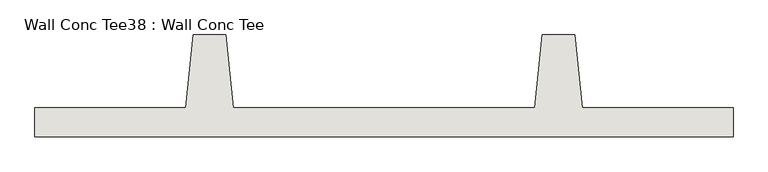
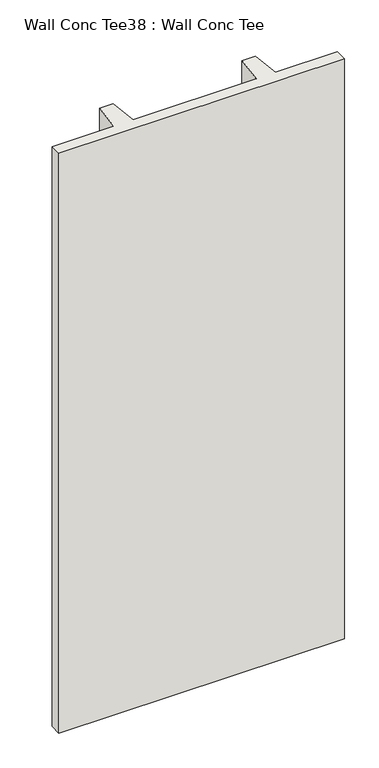
"""IFC4 building model written with IfcOpenShell, lengths in millimetres: wall geometry, Wall Conc Tee38 : Wall Conc Tee."""

from ifc_helpers import new_model, si_unit, frame, origin, place, context, project, spatial, polyline, outline, extrude, source, transform, mapped, element, save


def wall_conc_tee38_wall_conc_tee_91d3819b(model_context):
    return source(origin(), model_context, "Body", "SweptSolid", [
        extrude(outline(polyline([(227241.8728488, 193104.2596581), (224803.4728488, 193104.2596581), (224803.4728488, 193205.8596581), (225330.5228488, 193205.8596581), (225355.9228488, 193459.8596581), (225470.2228488, 193459.8596581), (225495.6228488, 193205.8596581), (226549.7228488, 193205.8596581), (226575.1228488, 193459.8596581), (226689.4228488, 193459.8596581), (226714.8228488, 193205.8596581), (227241.8728488, 193205.8596581), (227241.8728488, 193104.2596581)])), frame((0.0, 0.0, 143.7592564), z_axis=(0.0, 0.0, 1.0), x_axis=(1.0, 0.0, 0.0)), (0.0, 0.0, 1.0), 5232.4087123),
    ])


if __name__ == "__main__":
    model = new_model("IFC4")
    model_context = context("Model", 3, world=origin())
    ifc_project = project(units=[si_unit("LENGTHUNIT", "METRE", prefix="MILLI")], contexts=[model_context])
    site = spatial("IfcSite", under=ifc_project)
    building = spatial("IfcBuilding", under=site)
    placement = place(None, origin())
    wall_conc_tee38_wall_conc_tee_shape = wall_conc_tee38_wall_conc_tee_91d3819b(model_context)
    element("IfcWall", 1, ObjectType="Wall Conc Tee38 : Wall Conc Tee", at=placement, inside=building, context=model_context, shape_type="MappedRepresentation", body=[
        mapped(wall_conc_tee38_wall_conc_tee_shape, transform((0.0, 0.0, 0.0), x_axis=(1.0, 0.0, 0.0), y_axis=(0.0, 1.0, 0.0), z_axis=(0.0, 0.0, 1.0))),
    ])
    save(model, "model.ifc")
